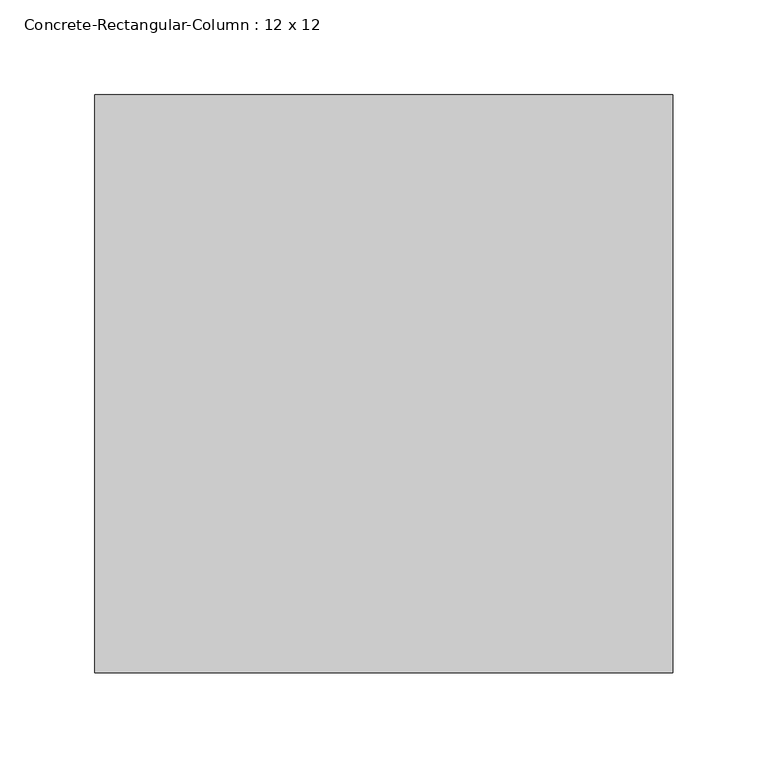
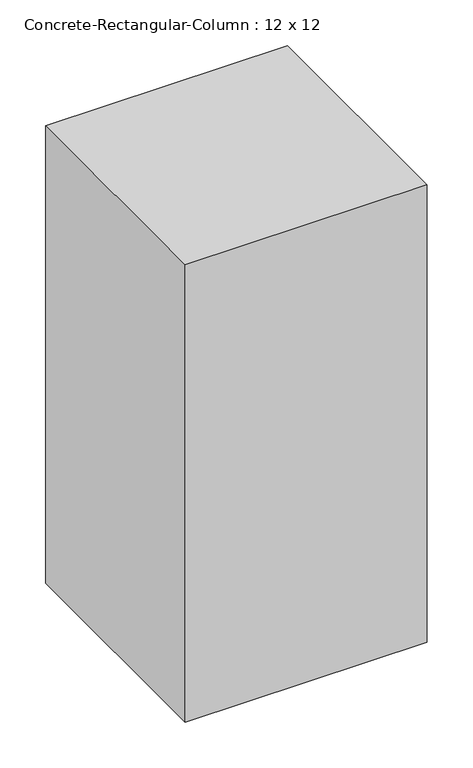
"""IFC4 building model written with IfcOpenShell, lengths in millimetres: column geometry, Concrete-Rectangular-Column : 12 x 12."""

from ifc_helpers import new_model, si_unit, frame, origin, place, context, project, spatial, polyline, outline, extrude, source, transform, mapped, element, save


def concrete_rectangular_column_12_x_12_9bcb3765(model_context):
    return source(origin(), model_context, "Body", "SweptSolid", [
        extrude(outline(polyline([(152.4, 152.4), (152.4, -152.4), (-152.4, -152.4), (-152.4, 152.4), (152.4, 152.4)])), frame((0.0, 0.0, -1149.35), z_axis=(0.0, 0.0, 1.0), x_axis=(1.0, 0.0, 0.0)), (0.0, 0.0, 1.0), 609.6),
    ])


if __name__ == "__main__":
    model = new_model("IFC4")
    model_context = context("Model", 3, world=origin())
    ifc_project = project(units=[si_unit("LENGTHUNIT", "METRE", prefix="MILLI")], contexts=[model_context])
    site = spatial("IfcSite", under=ifc_project)
    building = spatial("IfcBuilding", under=site)
    placement = place(None, origin())
    concrete_rectangular_column_12_x_12_shape = concrete_rectangular_column_12_x_12_9bcb3765(model_context)
    element("IfcColumn", 1, ObjectType="Concrete-Rectangular-Column : 12 x 12", at=placement, inside=building, context=model_context, shape_type="MappedRepresentation", body=[
        mapped(concrete_rectangular_column_12_x_12_shape, transform((0.0, 0.0, 0.0), x_axis=(1.0, 0.0, 0.0), y_axis=(0.0, 1.0, 0.0), z_axis=(0.0, 0.0, 1.0))),
    ])
    save(model, "model.ifc")
